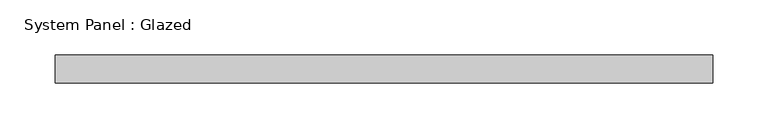
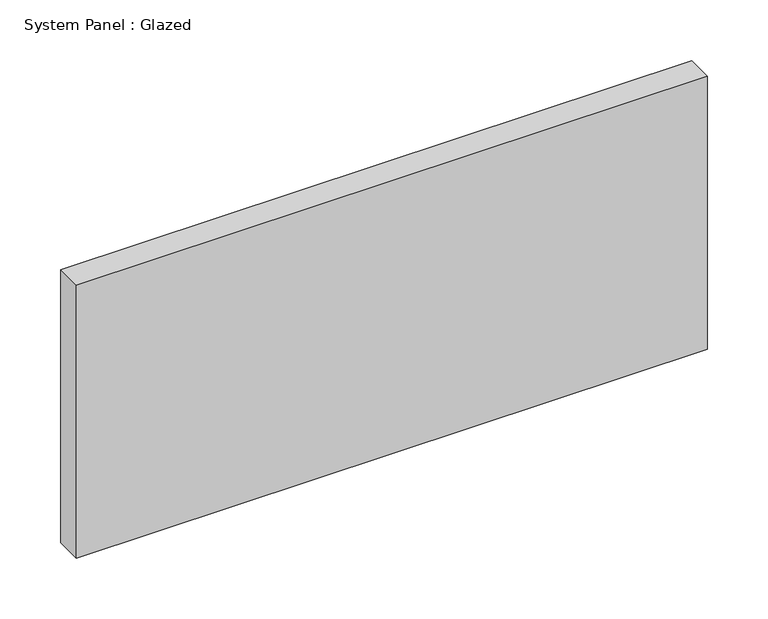
"""IFC4 building model written with IfcOpenShell, lengths in millimetres: plate geometry, System Panel : Glazed."""

from ifc_helpers import new_model, si_unit, origin, origin_with_axes, place, context, project, spatial, polyline, outline, extrude, source, transform, mapped, element, save


def system_panel_glazed_f54ed0e5(model_context):
    return source(origin(), model_context, "Body", "SweptSolid", [
        extrude(outline(polyline([(298.45, 19.05), (-298.45, 19.05), (-298.45, 44.45), (298.45, 44.45), (298.45, 19.05)])), origin_with_axes(), (0.0, 0.0, 1.0), 273.05),
    ])


if __name__ == "__main__":
    model = new_model("IFC4")
    model_context = context("Model", 3, world=origin())
    ifc_project = project(units=[si_unit("LENGTHUNIT", "METRE", prefix="MILLI")], contexts=[model_context])
    site = spatial("IfcSite", under=ifc_project)
    building = spatial("IfcBuilding", under=site)
    placement = place(None, origin())
    system_panel_glazed_shape = system_panel_glazed_f54ed0e5(model_context)
    element("IfcPlate", 1, ObjectType="System Panel : Glazed", at=placement, inside=building, context=model_context, shape_type="MappedRepresentation", body=[
        mapped(system_panel_glazed_shape, transform((0.0, 0.0, 0.0), x_axis=(1.0, 0.0, 0.0), y_axis=(0.0, 1.0, 0.0), z_axis=(0.0, 0.0, 1.0))),
    ])
    save(model, "model.ifc")
